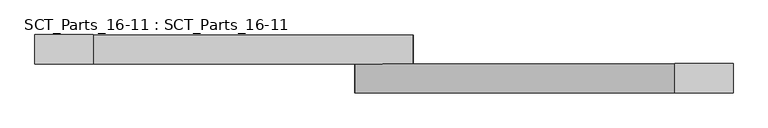
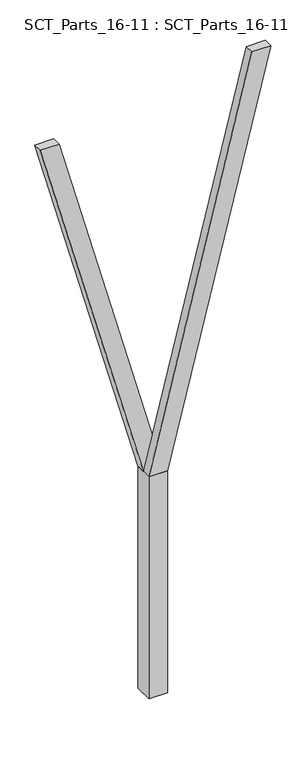
"""IFC4 building model written with IfcOpenShell, lengths in millimetres: proxy geometry, SCT_Parts_16-11 : SCT_Parts_16-11."""

from ifc_helpers import new_model, si_unit, frame, origin, origin_with_axes, place, context, project, spatial, polyline, outline, extrude, source, transform, mapped, element, save


def sct_parts_16_11_sct_parts_16_11_68865933(model_context):
    return source(origin(), model_context, "Body", "SweptSolid", [
        extrude(outline(polyline([(2500.0, 200.0), (6900.0, 1300.0), (6900.0, 1100.0), (2500.0, 0.0), (2500.0, 200.0)])), frame((0.0, -200.0, 0.0), z_axis=(0.0, 1.0, 0.0), x_axis=(0.0, 0.0, 1.0)), (0.0, 0.0, 1.0), 100.0),
        extrude(outline(polyline([(2500.0, 0.0), (2500.0, 200.0), (6500.0, -900.0), (6500.0, -1100.0), (2500.0, 0.0)])), frame((0.0, -100.0, 0.0), z_axis=(0.0, 1.0, 0.0), x_axis=(0.0, 0.0, 1.0)), (0.0, 0.0, 1.0), 100.0),
        extrude(outline(polyline([(200.0, -200.0), (0.0, -200.0), (0.0, 0.0), (200.0, 0.0), (200.0, -200.0)])), origin_with_axes(), (0.0, 0.0, 1.0), 2500.0),
    ])


if __name__ == "__main__":
    model = new_model("IFC4")
    model_context = context("Model", 3, world=origin())
    ifc_project = project(units=[si_unit("LENGTHUNIT", "METRE", prefix="MILLI")], contexts=[model_context])
    site = spatial("IfcSite", under=ifc_project)
    building = spatial("IfcBuilding", under=site)
    placement = place(None, origin())
    sct_parts_16_11_sct_parts_16_11_shape = sct_parts_16_11_sct_parts_16_11_68865933(model_context)
    element("IfcBuildingElementProxy", 1, Name="SCT_Parts_16-11 : SCT_Parts_16-11", ObjectType="SCT_Parts_16-11 : SCT_Parts_16-11", at=placement, inside=building, context=model_context, shape_type="MappedRepresentation", body=[
        mapped(sct_parts_16_11_sct_parts_16_11_shape, transform((0.0, 0.0, 0.0), x_axis=(1.0, 0.0, 0.0), y_axis=(0.0, 1.0, 0.0), z_axis=(0.0, 0.0, 1.0))),
    ])
    save(model, "model.ifc")
